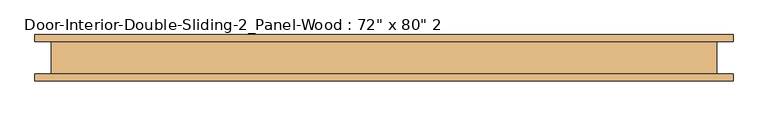
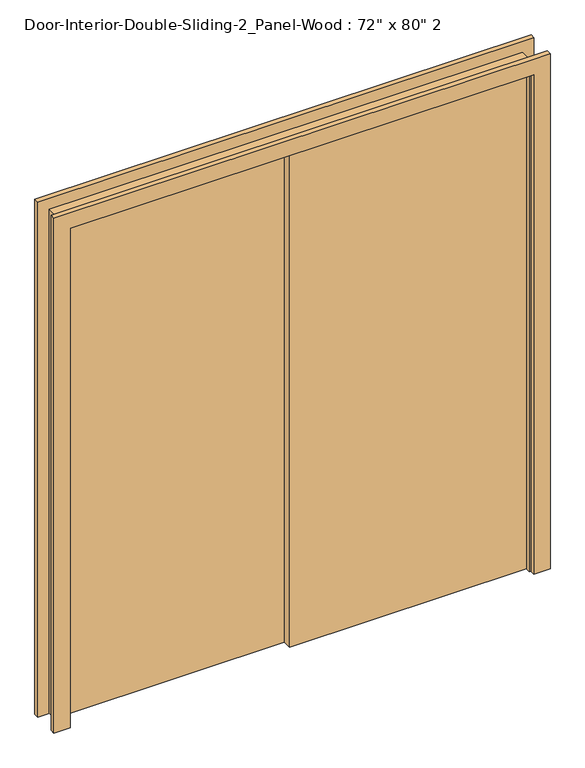
"""IFC4 building model written with IfcOpenShell, lengths in millimetres: door geometry."""

from ifc_helpers import new_model, si_unit, frame, origin, origin_with_axes, place, context, project, spatial, polyline, outline, extrude, source, transform, mapped, element, save


def door_925c38e3(model_context):
    return source(origin(), model_context, "Body", "SweptSolid", [
        extrude(outline(polyline([(889.0, -28.575), (-25.4, -28.575), (-25.4, 6.35), (889.0, 6.35), (889.0, -28.575)])), origin_with_axes(), (0.0, 0.0, 1.0), 2032.0),
        extrude(outline(polyline([(25.4, 6.35), (-889.0, 6.35), (-889.0, 41.275), (25.4, 41.275), (25.4, 6.35)])), origin_with_axes(), (0.0, 0.0, 1.0), 2032.0),
        extrude(outline(polyline([(0.0, 889.0), (0.0, 914.4), (2057.4, 914.4), (2057.4, -914.4), (0.0, -914.4), (0.0, -889.0), (2032.0, -889.0), (2032.0, 889.0), (0.0, 889.0)])), frame((0.0, -47.625, 0.0), z_axis=(0.0, 1.0, 0.0), x_axis=(0.0, 0.0, 1.0)), (0.0, 0.0, 1.0), 88.9),
        extrude(outline(polyline([(0.0, 895.35), (0.0, 958.85), (2101.85, 958.85), (2101.85, -958.85), (0.0, -958.85), (0.0, -895.35), (2038.35, -895.35), (2038.35, 895.35), (0.0, 895.35)])), frame((0.0, -66.675, 0.0), z_axis=(0.0, 1.0, 0.0), x_axis=(0.0, 0.0, 1.0)), (0.0, 0.0, 1.0), 19.05),
        extrude(outline(polyline([(0.0, 895.35), (0.0, 958.85), (2101.85, 958.85), (2101.85, -958.85), (0.0, -958.85), (0.0, -895.35), (2038.35, -895.35), (2038.35, 895.35), (0.0, 895.35)])), frame((0.0, 41.275, 0.0), z_axis=(0.0, 1.0, 0.0), x_axis=(0.0, 0.0, 1.0)), (0.0, 0.0, 1.0), 19.05),
    ])


if __name__ == "__main__":
    model = new_model("IFC4")
    model_context = context("Model", 3, world=origin())
    ifc_project = project(units=[si_unit("LENGTHUNIT", "METRE", prefix="MILLI")], contexts=[model_context])
    site = spatial("IfcSite", under=ifc_project)
    building = spatial("IfcBuilding", under=site)
    placement = place(None, origin())
    door_shape = door_925c38e3(model_context)
    element("IfcDoor", 1, ObjectType="Door-Interior-Double-Sliding-2_Panel-Wood : 72\" x 80\" 2", at=placement, inside=building, context=model_context, shape_type="MappedRepresentation", body=[
        mapped(door_shape, transform((0.0, 0.0, 0.0), x_axis=(1.0, 0.0, 0.0), y_axis=(0.0, 1.0, 0.0), z_axis=(0.0, 0.0, 1.0))),
    ])
    save(model, "model.ifc")
